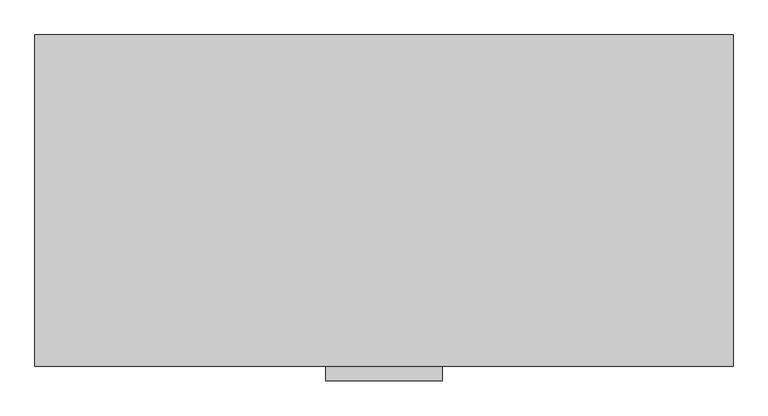
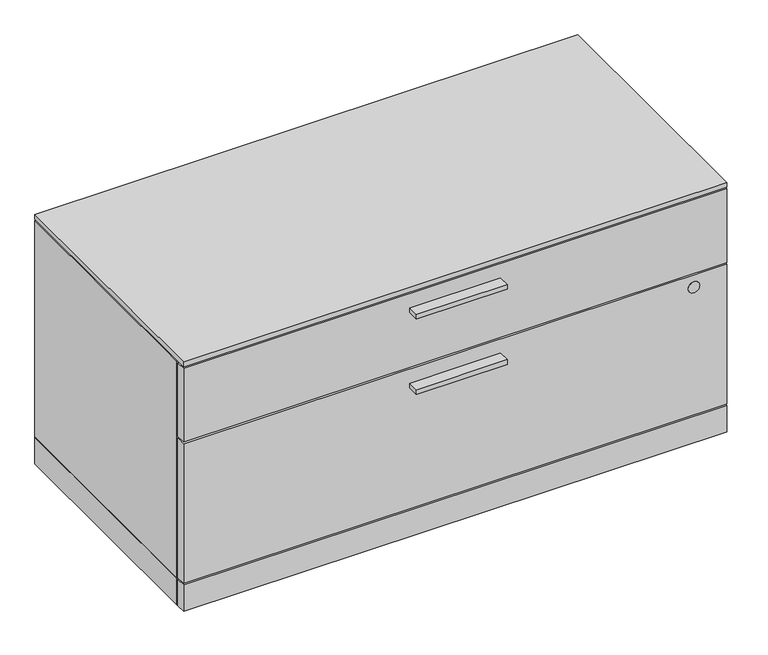
"""IFC4 building model written with IfcOpenShell, lengths in millimetres: furniture geometry."""

from ifc_helpers import new_model, si_unit, point, frame, frame_2d, origin, origin_with_axes, place, context, project, spatial, polyline, circle_curve, trimmed, segment, composite_curve, outline, extrude, source, transform, mapped, element, save


def furniture_4a4d9a4f(model_context):
    return source(origin(), model_context, "Body", "SweptSolid", [
        extrude(outline(polyline([(622.3, -528.574), (444.5, -528.574), (444.5, -506.349), (622.3, -506.349), (622.3, -528.574)])), frame((0.0, 0.0, 312.1914), z_axis=(0.0, 0.0, 1.0), x_axis=(1.0, 0.0, 0.0)), (0.0, 0.0, 1.0), 9.525),
        extrude(outline(polyline([(622.3, -528.574), (444.5, -528.574), (444.5, -506.349), (622.3, -506.349), (622.3, -528.574)])), frame((0.0, 0.0, 468.1474), z_axis=(0.0, 0.0, 1.0), x_axis=(1.0, 0.0, 0.0)), (0.0, 0.0, 1.0), 9.525),
        extrude(outline(polyline([(1065.2125, -1.524), (1065.2125, -483.235), (1.5875, -483.235), (1.5875, -1.524), (1065.2125, -1.524)])), frame((0.0, 0.0, 3.5814), z_axis=(0.0, 0.0, 1.0), x_axis=(1.0, 0.0, 0.0)), (0.0, 0.0, 1.0), 55.1688),
        extrude(outline(composite_curve([segment(trimmed(circle_curve(frame_2d((326.0344, 1001.1283)), 11.176), [point((326.0344, 1012.3043))], [point((326.0344, 989.9523))], False, "CARTESIAN"), True, "CONTINUOUS"), segment(trimmed(circle_curve(frame_2d((326.0344, 1001.1283)), 11.176), [point((326.0344, 989.9523))], [point((326.0344, 1012.3043))], False, "CARTESIAN"), True, "CONTINUOUS")], self_intersect=False)), frame((0.0, -506.603, 0.0), z_axis=(0.0, 1.0, 0.0), x_axis=(0.0, 0.0, 1.0)), (0.0, 0.0, 1.0), 4.69392),
        extrude(outline(polyline([(1065.2125, -487.045), (1065.2125, -506.349), (1.5875, -506.349), (1.5875, -487.045), (1065.2125, -487.045)])), frame((0.0, 0.0, 61.9252), z_axis=(0.0, 0.0, 1.0), x_axis=(1.0, 0.0, 0.0)), (0.0, 0.0, 1.0), 289.5092),
        extrude(outline(polyline([(1065.2125, -487.045), (1065.2125, -506.349), (1.5875, -506.349), (1.5875, -487.045), (1065.2125, -487.045)])), frame((0.0, 0.0, 354.6094), z_axis=(0.0, 0.0, 1.0), x_axis=(1.0, 0.0, 0.0)), (0.0, 0.0, 1.0), 152.781),
        extrude(outline(polyline([(1065.2125, -487.045), (1065.2125, -506.349), (1.5875, -506.349), (1.5875, -487.045), (1065.2125, -487.045)])), frame((0.0, 0.0, 3.5814), z_axis=(0.0, 0.0, 1.0), x_axis=(1.0, 0.0, 0.0)), (0.0, 0.0, 1.0), 55.1688),
        extrude(outline(polyline([(46.1772, -27.7114), (61.8363, -36.7521856), (61.8363, -54.8337568), (46.1772, -63.8745424), (30.5181, -54.8337568), (30.5181, -36.7521856), (46.1772, -27.7114)])), origin_with_axes(), (0.0, 0.0, 1.0), 8.4328),
        extrude(outline(polyline([(46.1772, -480.1616), (30.5181, -471.1208144), (30.5181, -453.0392432), (46.1772, -443.9984576), (61.8363, -453.0392432), (61.8363, -471.1208144), (46.1772, -480.1616)])), origin_with_axes(), (0.0, 0.0, 1.0), 8.4328),
        extrude(outline(polyline([(1020.6228, -27.7114), (1036.2819, -36.7521856), (1036.2819, -54.8337568), (1020.6228, -63.8745424), (1004.9637, -54.8337568), (1004.9637, -36.7521856), (1020.6228, -27.7114)])), origin_with_axes(), (0.0, 0.0, 1.0), 8.4328),
        extrude(outline(polyline([(1020.6228, -480.1616), (1004.9637, -471.1208144), (1004.9637, -453.0392432), (1020.6228, -443.9984576), (1036.2819, -453.0392432), (1036.2819, -471.1208144), (1020.6228, -480.1616)])), origin_with_axes(), (0.0, 0.0, 1.0), 8.4328),
        extrude(outline(polyline([(1065.2125, -506.349), (1.5875, -506.349), (1.5875, -1.524), (1065.2125, -1.524), (1065.2125, -506.349)])), frame((0.0, 0.0, 510.5654), z_axis=(0.0, 0.0, 1.0), x_axis=(1.0, 0.0, 0.0)), (0.0, 0.0, 1.0), 9.779),
        extrude(outline(polyline([(1065.2125, -483.2858), (1.5875, -483.2858), (1.5875, -1.524), (1065.2125, -1.524), (1065.2125, -483.2858)])), frame((0.0, 0.0, 58.7502), z_axis=(0.0, 0.0, 1.0), x_axis=(1.0, 0.0, 0.0)), (0.0, 0.0, 1.0), 448.6402),
    ])


if __name__ == "__main__":
    model = new_model("IFC4")
    model_context = context("Model", 3, world=origin())
    ifc_project = project(units=[si_unit("LENGTHUNIT", "METRE", prefix="MILLI")], contexts=[model_context])
    site = spatial("IfcSite", under=ifc_project)
    building = spatial("IfcBuilding", under=site)
    placement = place(None, origin())
    furniture_shape = furniture_4a4d9a4f(model_context)
    element("IfcFurniture", 1, at=placement, inside=building, context=model_context, shape_type="MappedRepresentation", body=[
        mapped(furniture_shape, transform((0.0, 0.0, 0.0), x_axis=(1.0, 0.0, 0.0), y_axis=(0.0, 1.0, 0.0), z_axis=(0.0, 0.0, 1.0))),
    ])
    save(model, "model.ifc")
